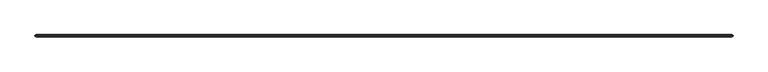
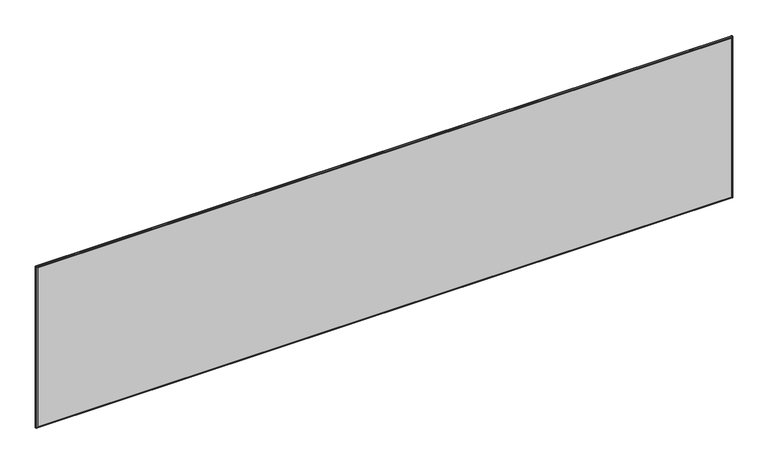
"""IFC4 building model written with IfcOpenShell, lengths in millimetres: furniture geometry."""

import ifcopenshell
import ifcopenshell.guid

model = None  # the IFC model being written
_history = None  # IfcOwnerHistory: only IFC2X3 demands one
_inside = {}  # id of a spatial element -> (the spatial element, [elements in it])
_under = {}  # id of a project, library or spatial element -> (it, [spatial elements below it])
_declared = {}  # id of a project -> (the project, [libraries it declares])
_typed = {}  # id of a type object -> (the type object, [elements of that type])
_made_of = {}  # id of a material, layer set ... -> (it, [elements and type objects made of it])


def new_model(schema):
    """Start an empty IFC model of exactly this schema.

    Asked for "IFC4X3", IfcOpenShell would pick the latest addendum, in which some entities
    have other attributes; the version numbers below select the first issue.
    IFC2X3 requires an IfcOwnerHistory on every rooted entity: one is made here for all.
    """
    global model, _history
    if schema == "IFC4X3":
        model = ifcopenshell.file(schema_version=(4, 3, 0, 0))
    else:
        model = ifcopenshell.file(schema=schema)
    _inside.clear()
    _under.clear()
    _declared.clear()
    _typed.clear()
    _made_of.clear()
    _history = None
    if model.schema == "IFC2X3":
        org = make("IfcOrganization", Name="unknown")
        user = make(
            "IfcPersonAndOrganization",
            ThePerson=make("IfcPerson", FamilyName="unknown"),
            TheOrganization=org,
        )
        app = make(
            "IfcApplication",
            ApplicationDeveloper=org,
            Version="unknown",
            ApplicationFullName="unknown",
            ApplicationIdentifier="unknown",
        )
        _history = make(
            "IfcOwnerHistory",
            OwningUser=user,
            OwningApplication=app,
            ChangeAction="ADDED",
            CreationDate=0,
        )
    return model


def make(cls, **values):
    """One entity of the class cls with the attributes given. An attribute that is None is left unset."""
    return model.create_entity(
        cls, **{name: value for name, value in values.items() if value is not None}
    )


def rooted(cls, **values):
    """An entity with a GlobalId (a new one), such as an element, a storey or a relation."""
    return make(cls, GlobalId=ifcopenshell.guid.new(), OwnerHistory=_history, **values)


def si_unit(unit_type, name, prefix=None):
    """IfcSIUnit, for example si_unit("LENGTHUNIT", "METRE", prefix="MILLI")."""
    return make("IfcSIUnit", UnitType=unit_type, Prefix=prefix, Name=name)


def assignment(units):
    """IfcUnitAssignment: the units of a project."""
    return None if units is None else make("IfcUnitAssignment", Units=units)


def point(xyz):
    """IfcCartesianPoint."""
    return None if xyz is None else make("IfcCartesianPoint", Coordinates=xyz)


def direction(xyz):
    """IfcDirection."""
    return None if xyz is None else make("IfcDirection", DirectionRatios=xyz)


def frame(location, z_axis=None, x_axis=None):
    """IfcAxis2Placement3D, a coordinate frame: its origin and axes. An axis left out is left unset."""
    return make(
        "IfcAxis2Placement3D",
        Location=point(location),
        Axis=direction(z_axis),
        RefDirection=direction(x_axis),
    )


def origin():
    """The frame at (0, 0, 0) with its axes left unset."""
    return frame((0.0, 0.0, 0.0))


def place(relative_to, where):
    """IfcLocalPlacement: puts the frame where relative to a parent placement (None: the world)."""
    return make(
        "IfcLocalPlacement", PlacementRelTo=relative_to, RelativePlacement=where
    )


def context(
    kind, dimensions, precision=None, world=None, true_north=None, identifier=None
):
    """IfcGeometricRepresentationContext, for example the 3D "Model" context."""
    return make(
        "IfcGeometricRepresentationContext",
        ContextIdentifier=identifier,
        ContextType=kind,
        CoordinateSpaceDimension=dimensions,
        Precision=precision,
        WorldCoordinateSystem=world,
        TrueNorth=true_north,
    )


def project(units=None, contexts=None):
    """IfcProject with its units and contexts."""
    return rooted(
        "IfcProject",
        Name="project",
        RepresentationContexts=contexts,
        UnitsInContext=assignment(units),
    )


def spatial(cls, under=None, at=None, **own):
    """A site, building, storey or space (cls), placed at a placement, below another one or the project."""
    s = rooted(cls, ObjectPlacement=at, **own)
    if under is not None:
        _under.setdefault(under.id(), (under, []))[1].append(s)
    return s


def polyline(points):
    """IfcPolyline through the points."""
    return make("IfcPolyline", Points=[point(p) for p in points])


def ellipse_curve(where, semi_axis1, semi_axis2):
    """IfcEllipse in the frame where."""
    return make(
        "IfcEllipse", Position=where, SemiAxis1=semi_axis1, SemiAxis2=semi_axis2
    )


def outline(outer, holes=None, kind="AREA"):
    """IfcArbitraryClosedProfileDef: a profile drawn as a closed curve; with holes, ...WithVoids."""
    if holes is None:
        return make("IfcArbitraryClosedProfileDef", ProfileType=kind, OuterCurve=outer)
    return make(
        "IfcArbitraryProfileDefWithVoids",
        ProfileType=kind,
        OuterCurve=outer,
        InnerCurves=holes,
    )


def extrude(swept, where, along, depth):
    """IfcExtrudedAreaSolid: the profile swept, set in the frame where, extruded along a direction by depth."""
    return make(
        "IfcExtrudedAreaSolid",
        SweptArea=swept,
        Position=where,
        ExtrudedDirection=direction(along),
        Depth=depth,
    )


def shape(context_of_items, identifier, shape_type, items):
    """IfcShapeRepresentation: the items that make up one representation, for example the "Body"."""
    return make(
        "IfcShapeRepresentation",
        ContextOfItems=context_of_items,
        RepresentationIdentifier=identifier,
        RepresentationType=shape_type,
        Items=items,
    )


def source(mapping_origin, context_of_items, identifier, shape_type, items):
    """IfcRepresentationMap: a shape defined once, which mapped items show again and again."""
    return make(
        "IfcRepresentationMap",
        MappingOrigin=mapping_origin,
        MappedRepresentation=shape(context_of_items, identifier, shape_type, items),
    )


def transform(
    local_origin,
    x_axis=None,
    y_axis=None,
    z_axis=None,
    scale=None,
    scale2=None,
    scale3=None,
    uniform=True,
):
    """IfcCartesianTransformationOperator3D, or its non-uniform kind. x_axis, y_axis, z_axis: its Axis1, 2, 3."""
    if uniform:
        return make(
            "IfcCartesianTransformationOperator3D",
            Axis1=direction(x_axis),
            Axis2=direction(y_axis),
            LocalOrigin=point(local_origin),
            Scale=scale,
            Axis3=direction(z_axis),
        )
    return make(
        "IfcCartesianTransformationOperator3DnonUniform",
        Axis1=direction(x_axis),
        Axis2=direction(y_axis),
        LocalOrigin=point(local_origin),
        Scale=scale,
        Axis3=direction(z_axis),
        Scale2=scale2,
        Scale3=scale3,
    )


def mapped(mapping_source, mapping_target):
    """IfcMappedItem: shows the shape of a source again, moved by a transform."""
    return make(
        "IfcMappedItem", MappingSource=mapping_source, MappingTarget=mapping_target
    )


def made_of(thing, what):
    """Note that an element or type object is made of a material, layer set ...; save() writes the relation."""
    if what is not None:
        _made_of.setdefault(what.id(), (what, []))[1].append(thing)
    return thing


def element(
    cls,
    number,
    at=None,
    inside=None,
    cuts=None,
    type_object=None,
    material=None,
    context=None,
    identifier="Body",
    shape_type=None,
    held_by="IfcProductDefinitionShape",
    body=None,
    shapes=None,
    **own,
):
    """One element of the class cls, such as IfcWall. Its Tag is "e" and its number.

    at: its placement. inside: the storey or other place that contains it. cuts: it is an
    opening in that element (IfcRelVoidsElement). A single representation is given by context,
    identifier, shape_type and body (its items); several are given by shapes. held_by: the class
    of the entity that holds the representations. save() writes the other relations.
    """
    e = rooted(cls, Tag="e%d" % number, ObjectPlacement=at, **own)
    if body is not None:
        shapes = [shape(context, identifier, shape_type, body)]
    if shapes is not None:
        e.Representation = make(held_by, Representations=shapes)
    if inside is not None:
        _inside.setdefault(inside.id(), (inside, []))[1].append(e)
    if cuts is not None:
        rooted(
            "IfcRelVoidsElement", RelatingBuildingElement=cuts, RelatedOpeningElement=e
        )
    if type_object is not None:
        _typed.setdefault(type_object.id(), (type_object, []))[1].append(e)
    return made_of(e, material)


def aggregate(whole, parts):
    """IfcRelAggregates: a whole, such as a stair, and the parts it consists of."""
    return rooted("IfcRelAggregates", RelatingObject=whole, RelatedObjects=parts)


def save(model, path):
    """Write the relations noted so far, then the file.

    IfcRelAggregates (storeys below a building ...), IfcRelContainedInSpatialStructure (elements
    in a storey), IfcRelDefinesByType, IfcRelAssociatesMaterial and IfcRelDeclares: one each for
    every whole, place, type object, material and project.
    """
    for whole, parts in _under.values():
        aggregate(whole, parts)
    for where, things in _inside.values():
        rooted(
            "IfcRelContainedInSpatialStructure",
            RelatedElements=things,
            RelatingStructure=where,
        )
    for kind, things in _typed.values():
        rooted("IfcRelDefinesByType", RelatedObjects=things, RelatingType=kind)
    for what, things in _made_of.values():
        rooted("IfcRelAssociatesMaterial", RelatedObjects=things, RelatingMaterial=what)
    for by, libraries in _declared.values():
        rooted("IfcRelDeclares", RelatingContext=by, RelatedDefinitions=libraries)
    model.write(path)


def plane_surface(at):
    """IfcPlane: the flat surface through the origin of the frame at, square to its z axis."""
    return make("IfcPlane", Position=at)


def cylinder_surface(at, radius):
    """IfcCylindricalSurface: all points at the distance radius from the z axis of the frame at."""
    return make("IfcCylindricalSurface", Position=at, Radius=radius)


def advanced_brep(points, edges, surfaces, faces):
    """IfcAdvancedBrep: a solid bounded by faces that lie on surfaces and meet in shared edges.

    An edge is (start, end): straight between two places in points (the first is 0);
    or (start, end, curve); or (start, end, curve, False) where it runs against its curve.
    A face is (place in surfaces, loops), or (place, loops, False) where it looks against
    its surface's normal. A loop lists edges by number (the first is 1), with a minus sign
    where the edge is run from its end to its start. The first loop is the outer one.
    """
    corners = [point(p) for p in points]
    vertices = [make("IfcVertexPoint", VertexGeometry=c) for c in corners]
    made = []
    for start, end, *more in edges:
        made.append(
            make(
                "IfcEdgeCurve",
                EdgeStart=vertices[start],
                EdgeEnd=vertices[end],
                EdgeGeometry=more[0] if more else make("IfcPolyline", Points=[corners[start], corners[end]]),
                SameSense=more[1] if len(more) > 1 else True,
            )
        )
    hull = []
    for where, loops, *sense in faces:
        bounds = []
        for j, loop in enumerate(loops):
            ring = [make("IfcOrientedEdge", EdgeElement=made[abs(k) - 1], Orientation=k > 0) for k in loop]
            bounds.append(
                make(
                    "IfcFaceOuterBound" if j == 0 else "IfcFaceBound",
                    Bound=make("IfcEdgeLoop", EdgeList=ring),
                    Orientation=True,
                )
            )
        hull.append(make("IfcAdvancedFace", Bounds=bounds, FaceSurface=surfaces[where], SameSense=sense[0] if sense else True))
    return make("IfcAdvancedBrep", Outer=make("IfcClosedShell", CfsFaces=hull))


def furniture_3060f49f(model_context):
    return source(origin(), model_context, "Body", "SolidModel", [
        advanced_brep(
        [(6.4770433, -35.9608478, 1118.0062429), (6.4770433, -42.3108478, 1118.0062429), (6.4770433, -42.3108478, 678.4491915), (6.4770433, -35.9608478, 678.4491915), (2.4130433, -39.7153692, 1120.0859291), (2.4130433, -38.5563263, 1120.0859291), (2.4130433, -38.5563263, 676.3695054), (2.4130433, -39.7153692, 676.3695054), (1822.3229567, -42.3108478, 678.4491915), (1822.3229567, -35.9608478, 678.4491915), (1824.4914783, -38.5563263, 674.3851915), (1824.4914783, -39.7153692, 674.3851915), (4.3085217, -39.7153692, 674.3851915), (4.3085217, -38.5563263, 674.3851915), (1822.3229567, -42.3108478, 1118.0062429), (1822.3229567, -35.9608478, 1118.0062429), (1826.3869567, -38.5563263, 1120.0859291), (1826.3869567, -39.7153692, 1120.0859291), (1826.3869567, -39.7153692, 676.3695054), (1826.3869567, -38.5563263, 676.3695054), (5.6165215, -42.3108478, 677.5886697), (1823.1834785, -42.3108478, 677.5886697), (1823.1834785, -42.3108478, 1118.8667647), (5.6165215, -42.3108478, 1118.8667647), (5.6165215, -35.9608478, 1118.8667647), (1823.1834785, -35.9608478, 1118.8667647), (1823.1834785, -35.9608478, 677.5886697), (5.6165215, -35.9608478, 677.5886697), (4.3085217, -38.5563263, 1122.0702429), (4.3085217, -39.7153692, 1122.0702429), (1824.4914783, -39.7153692, 1122.0702429), (1824.4914783, -38.5563263, 1122.0702429), (3.3646603, -37.0109079, 675.3368086), (3.3646603, -37.0109079, 1121.1186259), (2.9938046, -37.6131746, 674.9659528), (2.9938046, -37.6131746, 1121.4894816), (3.3646603, -41.2607877, 675.3368086), (3.3646603, -41.2607877, 1121.1186259), (2.9938046, -40.6585209, 1121.4894816), (2.9938046, -40.6585209, 674.9659528), (1825.4353397, -37.0109079, 675.3368086), (1825.8061954, -37.6131746, 674.9659528), (1825.4353397, -41.2607877, 675.3368086), (1825.8061954, -40.6585209, 674.9659528), (1825.4353397, -37.0109079, 1121.1186259), (1825.8061954, -37.6131746, 1121.4894816), (1825.4353397, -41.2607877, 1121.1186259), (1825.8061954, -40.6585209, 1121.4894816)],
        [
            (0, 1),
            (1, 2),
            (2, 3),
            (3, 0),
            (4, 5),
            (5, 6),
            (6, 7),
            (7, 4),
            (2, 8),
            (8, 9),
            (9, 3),
            (10, 11),
            (11, 12),
            (12, 13),
            (13, 10),
            (8, 14),
            (14, 15),
            (15, 9),
            (16, 17),
            (17, 18),
            (18, 19),
            (19, 16),
            (20, 21),
            (21, 22),
            (22, 23),
            (23, 20),
            (1, 14),
            (0, 15),
            (24, 25),
            (25, 26),
            (26, 27),
            (27, 24),
            (28, 29),
            (29, 30),
            (30, 31),
            (31, 28),
            (27, 32),
            (32, 33),
            (33, 24),
            (32, 34),
            (34, 6, ellipse_curve(frame((4.3994389, -35.3304359, 676.3695054), z_axis=(-0.8515131025137694, 0.5243333255166743, 0.0), x_axis=(0.5243333255166743, 0.8515131025137694, 0.0)), 3.7884214, 1.9863956)),
            (5, 35, ellipse_curve(frame((4.3994389, -35.3304359, 1120.0859291), z_axis=(-0.8515131025137694, 0.5243333255166743, 0.0), x_axis=(0.5243333255166743, 0.8515131025137694, 0.0)), 3.7884214, 1.9863956)),
            (35, 33),
            (36, 37),
            (37, 38),
            (38, 4, ellipse_curve(frame((4.3994389, -42.9412597, 1120.0859291), z_axis=(-0.8515131025143394, -0.5243333255157488, 0.0), x_axis=(-0.5243333255157488, 0.8515131025143393, 0.0)), 3.7884214, 1.9863956)),
            (7, 39, ellipse_curve(frame((4.3994389, -42.9412597, 676.3695054), z_axis=(-0.8515131025143394, -0.5243333255157488, 0.0), x_axis=(-0.5243333255157488, 0.8515131025143393, 0.0)), 3.7884214, 1.9863956)),
            (39, 36),
            (23, 37),
            (36, 20),
            (26, 40),
            (40, 32),
            (40, 41),
            (41, 10, ellipse_curve(frame((1824.4005611, -35.3338166, 676.3695054), z_axis=(0.0, 0.5243333255167163, -0.8515131025137436), x_axis=(0.0, 0.8515131025137437, 0.5243333255167162)), 3.7884214, 1.9863956)),
            (13, 34, ellipse_curve(frame((4.3994389, -35.3338166, 676.3695054), z_axis=(0.0, 0.5243333255167163, -0.8515131025137436), x_axis=(0.0, 0.8515131025137437, 0.5243333255167162)), 3.7884214, 1.9863956)),
            (42, 36),
            (39, 12, ellipse_curve(frame((4.3994389, -42.937879, 676.3695054), z_axis=(0.0, -0.5243333255157069, -0.8515131025143653), x_axis=(0.0, 0.8515131025143652, -0.524333325515707)), 3.7884214, 1.9863956)),
            (11, 43, ellipse_curve(frame((1824.4005611, -42.937879, 676.3695054), z_axis=(0.0, -0.5243333255157069, -0.8515131025143653), x_axis=(0.0, 0.8515131025143652, -0.524333325515707)), 3.7884214, 1.9863956)),
            (43, 42),
            (42, 21),
            (25, 44),
            (44, 40),
            (44, 45),
            (45, 16, ellipse_curve(frame((1824.4005611, -35.3304359, 1120.0859291), z_axis=(0.8515131025137694, 0.5243333255166743, 0.0), x_axis=(-0.5243333255166743, 0.8515131025137694, 0.0)), 3.7884214, 1.9863956)),
            (19, 41, ellipse_curve(frame((1824.4005611, -35.3304359, 676.3695054), z_axis=(0.8515131025137694, 0.5243333255166743, 0.0), x_axis=(-0.5243333255166743, 0.8515131025137694, 0.0)), 3.7884214, 1.9863956)),
            (46, 42),
            (43, 18, ellipse_curve(frame((1824.4005611, -42.9412597, 676.3695054), z_axis=(0.8515131025143394, -0.5243333255157488, 0.0), x_axis=(0.5243333255157488, 0.8515131025143393, 0.0)), 3.7884214, 1.9863956)),
            (17, 47, ellipse_curve(frame((1824.4005611, -42.9412597, 1120.0859291), z_axis=(0.8515131025143394, -0.5243333255157488, 0.0), x_axis=(0.5243333255157488, 0.8515131025143393, 0.0)), 3.7884214, 1.9863956)),
            (47, 46),
            (46, 22),
            (33, 44),
            (35, 28, ellipse_curve(frame((4.3994389, -35.3338166, 1120.0859291), z_axis=(0.0, 0.5243333255166324, 0.8515131025137953), x_axis=(0.0, 0.8515131025137953, -0.5243333255166324)), 3.7884214, 1.9863956)),
            (31, 45, ellipse_curve(frame((1824.4005611, -35.3338166, 1120.0859291), z_axis=(0.0, 0.5243333255166324, 0.8515131025137953), x_axis=(0.0, 0.8515131025137953, -0.5243333255166324)), 3.7884214, 1.9863956)),
            (37, 46),
            (47, 30, ellipse_curve(frame((1824.4005611, -42.937879, 1120.0859291), z_axis=(0.0, -0.5243333255157908, 0.8515131025143136), x_axis=(0.0, 0.8515131025143136, 0.5243333255157908)), 3.7884214, 1.9863956)),
            (29, 38, ellipse_curve(frame((4.3994389, -42.937879, 1120.0859291), z_axis=(0.0, -0.5243333255157908, 0.8515131025143136), x_axis=(0.0, 0.8515131025143136, 0.5243333255157908)), 3.7884214, 1.9863956)),
        ],
        [
            plane_surface(frame((6.4770433, -42.3108478, 1118.0062429), z_axis=(1.0, 0.0, 0.0), x_axis=(0.0, 0.0, -1.0))),
            plane_surface(frame((2.4130433, -38.5563263, 1122.0702429), z_axis=(-1.0, 0.0, 0.0), x_axis=(0.0, 0.0, -1.0))),
            plane_surface(frame((6.4770433, -42.3108478, 678.4491915), z_axis=(0.0, 0.0, 1.0), x_axis=(1.0, 0.0, 0.0))),
            plane_surface(frame((2.4130433, -38.5563263, 674.3851915), z_axis=(0.0, 0.0, -1.0), x_axis=(1.0, 0.0, 0.0))),
            plane_surface(frame((1822.3229567, -42.3108478, 678.4491915), z_axis=(-1.0, 0.0, 0.0), x_axis=(0.0, 0.0, 1.0))),
            plane_surface(frame((1826.3869567, -38.5563263, 674.3851915), z_axis=(1.0, 0.0, 0.0), x_axis=(0.0, 0.0, 1.0))),
            plane_surface(frame((1823.1834785, -42.3108478, 1118.8667647), z_axis=(0.0, -1.0, 0.0), x_axis=(-1.0, 0.0, 0.0))),
            plane_surface(frame((1822.3229567, -42.3108478, 1118.0062429), z_axis=(0.0, 0.0, -1.0), x_axis=(-1.0, 0.0, 0.0))),
            plane_surface(frame((1822.3229567, -35.9608478, 1118.0062429), z_axis=(0.0, 1.0, 0.0), x_axis=(-1.0, 0.0, 0.0))),
            plane_surface(frame((1826.3869567, -38.5563263, 1122.0702429), z_axis=(0.0, 0.0, 1.0), x_axis=(-1.0, 0.0, 0.0))),
            plane_surface(frame((5.6165215, -35.9608478, 1118.8667647), z_axis=(-0.4226182617407205, 0.9063077870366402, 0.0), x_axis=(0.0, 0.0, -1.0))),
            plane_surface(frame((3.3646603, -37.0109079, 1121.1186259), z_axis=(-0.8515131025137694, 0.5243333255166743, 0.0), x_axis=(0.0, 0.0, -1.0))),
            plane_surface(frame((2.4130433, -39.7153692, 1122.0702429), z_axis=(-0.8515131025143394, -0.5243333255157488, 0.0), x_axis=(0.0, 0.0, -1.0))),
            plane_surface(frame((3.3646603, -41.2607877, 1121.1186259), z_axis=(-0.42261826174118133, -0.9063077870364253, 0.0), x_axis=(0.0, 0.0, -1.0))),
            plane_surface(frame((5.6165215, -35.9608478, 677.5886697), z_axis=(0.0, 0.906307787036661, -0.42261826174067574), x_axis=(1.0, 0.0, 0.0))),
            plane_surface(frame((3.3646603, -37.0109079, 675.3368086), z_axis=(0.0, 0.5243333255167163, -0.8515131025137436), x_axis=(1.0, 0.0, 0.0))),
            plane_surface(frame((2.4130433, -39.7153692, 674.3851915), z_axis=(0.0, -0.5243333255157069, -0.8515131025143653), x_axis=(1.0, 0.0, 0.0))),
            plane_surface(frame((3.3646603, -41.2607877, 675.3368086), z_axis=(0.0, -0.9063077870364045, -0.4226182617412261), x_axis=(1.0, 0.0, 0.0))),
            plane_surface(frame((1823.1834785, -35.9608478, 677.5886697), z_axis=(0.4226182617407205, 0.9063077870366402, 0.0), x_axis=(0.0, 0.0, 1.0))),
            plane_surface(frame((1825.4353397, -37.0109079, 675.3368086), z_axis=(0.8515131025137694, 0.5243333255166743, 0.0), x_axis=(0.0, 0.0, 1.0))),
            plane_surface(frame((1826.3869567, -39.7153692, 674.3851915), z_axis=(0.8515131025143394, -0.5243333255157488, 0.0), x_axis=(0.0, 0.0, 1.0))),
            plane_surface(frame((1825.4353397, -41.2607877, 675.3368086), z_axis=(0.42261826174118133, -0.9063077870364253, 0.0), x_axis=(0.0, 0.0, 1.0))),
            plane_surface(frame((1823.1834785, -35.9608478, 1118.8667647), z_axis=(0.0, 0.9063077870366193, 0.4226182617407652), x_axis=(-1.0, 0.0, 0.0))),
            plane_surface(frame((1825.4353397, -37.0109079, 1121.1186259), z_axis=(0.0, 0.5243333255166324, 0.8515131025137953), x_axis=(-1.0, 0.0, 0.0))),
            plane_surface(frame((1826.3869567, -39.7153692, 1122.0702429), z_axis=(0.0, -0.5243333255157908, 0.8515131025143136), x_axis=(-1.0, 0.0, 0.0))),
            plane_surface(frame((1825.4353397, -41.2607877, 1121.1186259), z_axis=(0.0, -0.9063077870364462, 0.4226182617411366), x_axis=(-1.0, 0.0, 0.0))),
            cylinder_surface(frame((4.3994389, -30.0426452, 1120.0859291), z_axis=(0.0, 1.0, 0.0), x_axis=(1.0, 0.0, 0.0)), 1.9863956),
            cylinder_surface(frame((1824.4005611, -30.0426452, 1120.0859291), z_axis=(0.0, 1.0, 0.0), x_axis=(-1.0, 0.0, 0.0)), 1.9863956),
            cylinder_surface(frame((1824.4005611, -30.0426452, 676.3695054), z_axis=(0.0, 1.0, 0.0), x_axis=(-1.0, 0.0, 0.0)), 1.9863956),
            cylinder_surface(frame((4.3994389, -30.0426452, 676.3695054), z_axis=(0.0, 1.0, 0.0), x_axis=(1.0, 0.0, 0.0)), 1.9863956),
        ],
        [
            (0, [[1, 2, 3, 4]]),
            (1, [[5, 6, 7, 8]]),
            (2, [[-3, 9, 10, 11]]),
            (3, [[12, 13, 14, 15]]),
            (4, [[-10, 16, 17, 18]]),
            (5, [[19, 20, 21, 22]]),
            (6, [[23, 24, 25, 26], [-2, 27, -16, -9]]),
            (7, [[-1, 28, -17, -27]]),
            (8, [[29, 30, 31, 32], [-4, -11, -18, -28]]),
            (9, [[33, 34, 35, 36]]),
            (10, [[-32, 37, 38, 39]]),
            (11, [[-38, 40, 41, -6, 42, 43]]),
            (12, [[44, 45, 46, -8, 47, 48]]),
            (13, [[-26, 49, -44, 50]]),
            (14, [[-31, 51, 52, -37]]),
            (15, [[-52, 53, 54, -15, 55, -40]]),
            (16, [[56, -48, 57, -13, 58, 59]]),
            (17, [[-23, -50, -56, 60]]),
            (18, [[-30, 61, 62, -51]]),
            (19, [[-62, 63, 64, -22, 65, -53]]),
            (20, [[66, -59, 67, -20, 68, 69]]),
            (21, [[-24, -60, -66, 70]]),
            (22, [[-29, -39, 71, -61]]),
            (23, [[-71, -43, 72, -36, 73, -63]]),
            (24, [[74, -69, 75, -34, 76, -45]]),
            (25, [[-25, -70, -74, -49]]),
            (26, [[-5, -46, -76, -33, -72, -42]]),
            (27, [[-19, -64, -73, -35, -75, -68]]),
            (28, [[-12, -54, -65, -21, -67, -58]]),
            (29, [[-7, -41, -55, -14, -57, -47]]),
        ],
    ),
        extrude(outline(polyline([(1822.3229567, -42.3108478), (6.4770433, -42.3108478), (6.4770433, -35.9608478), (1822.3229567, -35.9608478), (1822.3229567, -42.3108478)])), frame((0.0, 0.0, 678.4491915), z_axis=(0.0, 0.0, 1.0), x_axis=(1.0, 0.0, 0.0)), (0.0, 0.0, 1.0), 439.5570514),
    ])


if __name__ == "__main__":
    model = new_model("IFC4")
    model_context = context("Model", 3, world=origin())
    ifc_project = project(units=[si_unit("LENGTHUNIT", "METRE", prefix="MILLI")], contexts=[model_context])
    site = spatial("IfcSite", under=ifc_project)
    building = spatial("IfcBuilding", under=site)
    placement = place(None, origin())
    furniture_shape = furniture_3060f49f(model_context)
    element("IfcFurniture", 1, at=placement, inside=building, context=model_context, shape_type="MappedRepresentation", body=[
        mapped(furniture_shape, transform((0.0, 0.0, 0.0), x_axis=(1.0, 0.0, 0.0), y_axis=(0.0, 1.0, 0.0), z_axis=(0.0, 0.0, 1.0))),
    ])
    save(model, "model.ifc")
